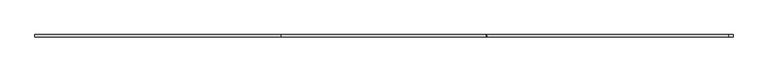
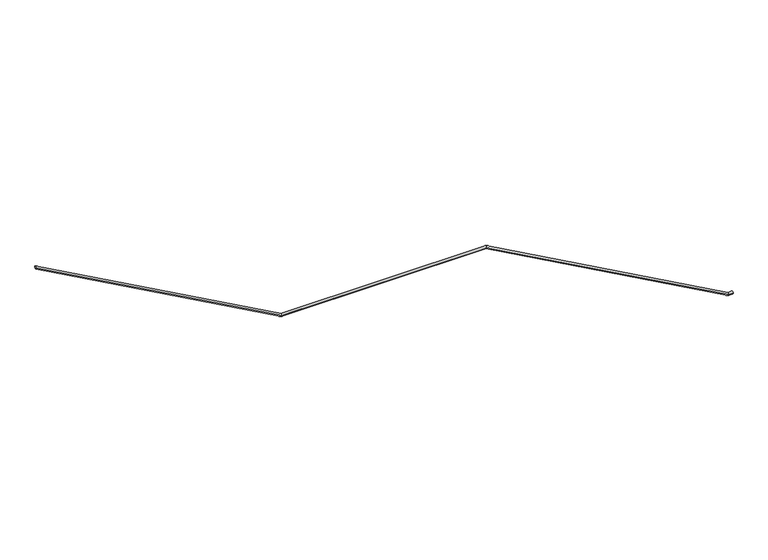
"""IFC4 building model written with IfcOpenShell, lengths in millimetres: railing geometry."""

from ifc_helpers import new_model, si_unit, frame, origin, place, context, project, spatial, circle_curve, ellipse_curve, source, transform, mapped, element, save
from ifc_brep_helpers import plane_surface, cylinder_surface, advanced_brep


def railing_99902bcc(model_context):
    return source(origin(), model_context, "Body", "AdvancedBrep", [
        advanced_brep(
        [(-81449.1078957, -37756.2795008, -1788.5434633), (-81449.1078957, -37796.2795008, -1788.5434633), (-77493.1553046, -37796.2795008, -3984.8035714), (-77493.1553046, -37756.2795008, -3984.8035714), (-70209.1078957, -37756.2795008, -6150.0), (-70209.1078957, -37796.2795008, -6150.0), (-70283.7634139, -37756.2795008, -6150.0), (-70283.7634139, -37796.2795008, -6150.0), (-74183.7634139, -37756.2795008, -3984.8035714), (-74183.7634139, -37796.2795008, -3984.8035714)],
        [
            (0, 1, ellipse_curve(frame((-81449.1078957, -37776.2795008, -1788.5434633), z_axis=(-1.0, 0.0, 0.0), x_axis=(0.0, 0.0, -1.0)), 22.8755174, 20.0)),
            (1, 0, ellipse_curve(frame((-81449.1078957, -37776.2795008, -1788.5434633), z_axis=(-1.0, 0.0, 0.0), x_axis=(0.0, 0.0, -1.0)), 22.8755174, 20.0)),
            (2, 3, ellipse_curve(frame((-77493.1553046, -37776.2795008, -3984.8035714), z_axis=(-0.9680643477407717, 0.0, 0.25070185207380147), x_axis=(-0.25070185207380125, 0.0, -0.9680643477407718)), 20.6597837, 20.0)),
            (3, 0),
            (1, 2),
            (3, 2, ellipse_curve(frame((-77493.1553046, -37776.2795008, -3984.8035714), z_axis=(-0.9680643477407717, 0.0, 0.25070185207380147), x_axis=(-0.25070185207380125, 0.0, -0.9680643477407718)), 20.6597837, 20.0)),
            (4, 5, circle_curve(frame((-70209.1078957, -37776.2795008, -6150.0), z_axis=(1.0, 0.0, 0.0), x_axis=(0.0, -1.0, 0.0)), 20.0)),
            (5, 4, circle_curve(frame((-70209.1078957, -37776.2795008, -6150.0), z_axis=(1.0, 0.0, 0.0), x_axis=(0.0, -1.0, 0.0)), 20.0)),
            (4, 6),
            (6, 7, ellipse_curve(frame((-70283.7634139, -37776.2795008, -6150.0), z_axis=(0.9680643477407718, 0.0, -0.25070185207380136), x_axis=(0.2507018520738009, 0.0, 0.9680643477407718)), 20.6597837, 20.0)),
            (7, 5),
            (7, 6, ellipse_curve(frame((-70283.7634139, -37776.2795008, -6150.0), z_axis=(0.9680643477407718, 0.0, -0.25070185207380136), x_axis=(0.2507018520738009, 0.0, 0.9680643477407718)), 20.6597837, 20.0)),
            (6, 8),
            (8, 9, ellipse_curve(frame((-74183.7634139, -37776.2795008, -3984.8035714), z_axis=(0.9680643477407718, 0.0, -0.25070185207380136), x_axis=(-0.25070185207380175, 0.0, -0.9680643477407715)), 20.6597837, 20.0)),
            (9, 7),
            (9, 8, ellipse_curve(frame((-74183.7634139, -37776.2795008, -3984.8035714), z_axis=(0.9680643477407718, 0.0, -0.25070185207380136), x_axis=(-0.25070185207380175, 0.0, -0.9680643477407715)), 20.6597837, 20.0)),
            (8, 3),
            (2, 9),
        ],
        [
            plane_surface(frame((-81449.1078957, -37776.2795008, -1788.5434633), z_axis=(-1.0, 0.0, 0.0), x_axis=(0.0, -1.0, 0.0))),
            cylinder_surface(frame((-77493.1553046, -37776.2795008, -3984.8035714), z_axis=(0.8742971627335315, 0.0, -0.4853910498104561), x_axis=(0.0, -1.0, 0.0)), 20.0),
            plane_surface(frame((-70209.1078957, -37776.2795008, -6150.0), z_axis=(1.0, 0.0, 0.0), x_axis=(0.0, -1.0, 0.0))),
            cylinder_surface(frame((-70209.1078957, -37776.2795008, -6150.0), z_axis=(1.0, 0.0, 0.0), x_axis=(0.0, -1.0, 0.0)), 20.0),
            cylinder_surface(frame((-70283.7634139, -37776.2795008, -6150.0), z_axis=(0.8742971627335316, 0.0, -0.48539104981045594), x_axis=(0.0, -1.0, 0.0)), 20.0),
            cylinder_surface(frame((-74183.7634139, -37776.2795008, -3984.8035714), z_axis=(1.0, 0.0, 0.0), x_axis=(0.0, -1.0, 0.0)), 20.0),
        ],
        [
            (0, [[1, 2]]),
            (1, [[3, 4, -2, 5]]),
            (1, [[6, -5, -1, -4]]),
            (2, [[7, 8]]),
            (3, [[-7, 9, 10, 11]]),
            (3, [[-8, -11, 12, -9]]),
            (4, [[-10, 13, 14, 15]]),
            (4, [[-12, -15, 16, -13]]),
            (5, [[-14, 17, -3, 18]]),
            (5, [[-16, -18, -6, -17]]),
        ],
    ),
    ])


if __name__ == "__main__":
    model = new_model("IFC4")
    model_context = context("Model", 3, world=origin())
    ifc_project = project(units=[si_unit("LENGTHUNIT", "METRE", prefix="MILLI")], contexts=[model_context])
    site = spatial("IfcSite", under=ifc_project)
    building = spatial("IfcBuilding", under=site)
    placement = place(None, origin())
    railing_shape = railing_99902bcc(model_context)
    element("IfcRailing", 1, at=placement, inside=building, context=model_context, shape_type="MappedRepresentation", body=[
        mapped(railing_shape, transform((0.0, 0.0, 0.0), x_axis=(1.0, 0.0, 0.0), y_axis=(0.0, 1.0, 0.0), z_axis=(0.0, 0.0, 1.0))),
    ])
    save(model, "model.ifc")
